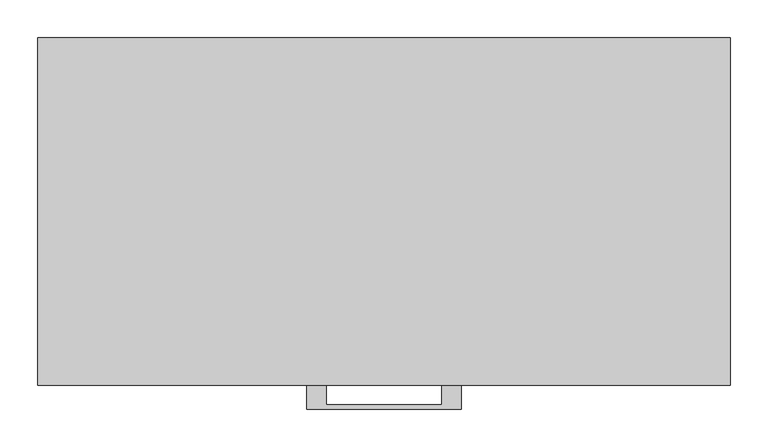
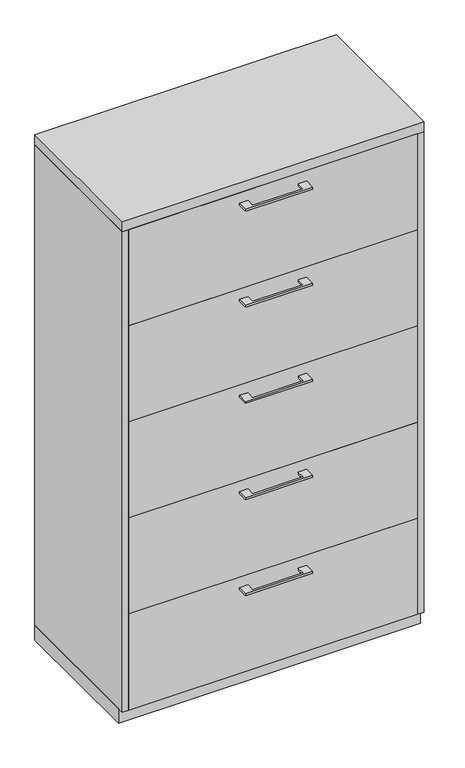
"""IFC4 building model written with IfcOpenShell, lengths in millimetres: furniture geometry."""

from ifc_helpers import new_model, si_unit, frame, origin, origin_with_axes, place, context, project, spatial, polyline, outline, extrude, source, transform, mapped, element, save


def furniture_4dc10315(model_context):
    return source(origin(), model_context, "Body", "SweptSolid", [
        extrude(outline(polyline([(-76.1999818, -457.2), (-76.1999818, -482.5999758), (76.2, -482.5999758), (76.2, -457.2), (101.5999939, -457.2), (101.5999939, -488.9499879), (-101.5999939, -488.9499879), (-101.5999939, -457.2), (-76.1999818, -457.2)])), frame((0.0, 0.0, 1541.4625506), z_axis=(0.0, 0.0, 1.0), x_axis=(1.0, 0.0, 0.0)), (0.0, 0.0, 1.0), 6.3499758),
        extrude(outline(polyline([(436.5625, -438.15), (436.5625, -457.2), (-436.5625, -457.2), (-436.5625, -438.15), (436.5625, -438.15)])), frame((0.0, 0.0, 1274.445), z_axis=(0.0, 0.0, 1.0), x_axis=(1.0, 0.0, 0.0)), (0.0, 0.0, 1.0), 306.705),
        extrude(outline(polyline([(-76.1999818, -457.2), (-76.1999818, -482.5999758), (76.2, -482.5999758), (76.2, -457.2), (101.5999939, -457.2), (101.5999939, -488.9499879), (-101.5999939, -488.9499879), (-101.5999939, -457.2), (-76.1999818, -457.2)])), frame((0.0, 0.0, 1234.7575506), z_axis=(0.0, 0.0, 1.0), x_axis=(1.0, 0.0, 0.0)), (0.0, 0.0, 1.0), 6.3499758),
        extrude(outline(polyline([(436.5625, -438.15), (436.5625, -457.2), (-436.5625, -457.2), (-436.5625, -438.15), (436.5625, -438.15)])), frame((0.0, 0.0, 967.74), z_axis=(0.0, 0.0, 1.0), x_axis=(1.0, 0.0, 0.0)), (0.0, 0.0, 1.0), 306.705),
        extrude(outline(polyline([(-76.1999818, -457.2), (-76.1999818, -482.5999758), (76.2, -482.5999758), (76.2, -457.2), (101.5999939, -457.2), (101.5999939, -488.9499879), (-101.5999939, -488.9499879), (-101.5999939, -457.2), (-76.1999818, -457.2)])), frame((0.0, 0.0, 928.0525506), z_axis=(0.0, 0.0, 1.0), x_axis=(1.0, 0.0, 0.0)), (0.0, 0.0, 1.0), 6.3499758),
        extrude(outline(polyline([(436.5625, -438.15), (436.5625, -457.2), (-436.5625, -457.2), (-436.5625, -438.15), (436.5625, -438.15)])), frame((0.0, 0.0, 661.035), z_axis=(0.0, 0.0, 1.0), x_axis=(1.0, 0.0, 0.0)), (0.0, 0.0, 1.0), 306.705),
        extrude(outline(polyline([(-76.1999818, -457.2), (-76.1999818, -482.5999758), (76.2, -482.5999758), (76.2, -457.2), (101.5999939, -457.2), (101.5999939, -488.9499879), (-101.5999939, -488.9499879), (-101.5999939, -457.2), (-76.1999818, -457.2)])), frame((0.0, 0.0, 621.3475506), z_axis=(0.0, 0.0, 1.0), x_axis=(1.0, 0.0, 0.0)), (0.0, 0.0, 1.0), 6.3499758),
        extrude(outline(polyline([(436.5625, -438.15), (436.5625, -457.2), (-436.5625, -457.2), (-436.5625, -438.15), (436.5625, -438.15)])), frame((0.0, 0.0, 354.33), z_axis=(0.0, 0.0, 1.0), x_axis=(1.0, 0.0, 0.0)), (0.0, 0.0, 1.0), 306.705),
        extrude(outline(polyline([(-76.1999818, -457.2), (-76.1999818, -482.5999758), (76.2, -482.5999758), (76.2, -457.2), (101.5999939, -457.2), (101.5999939, -488.9499879), (-101.5999939, -488.9499879), (-101.5999939, -457.2), (-76.1999818, -457.2)])), frame((0.0, 0.0, 314.6425506), z_axis=(0.0, 0.0, 1.0), x_axis=(1.0, 0.0, 0.0)), (0.0, 0.0, 1.0), 6.3499758),
        extrude(outline(polyline([(436.5625, -438.15), (436.5625, -457.2), (-436.5625, -457.2), (-436.5625, -438.15), (436.5625, -438.15)])), frame((0.0, 0.0, 47.625), z_axis=(0.0, 0.0, 1.0), x_axis=(1.0, 0.0, 0.0)), (0.0, 0.0, 1.0), 306.705),
        extrude(outline(polyline([(455.6125, 0.0), (455.6125, -438.15), (-455.6125, -438.15), (-455.6125, 0.0), (455.6125, 0.0)])), origin_with_axes(), (0.0, 0.0, 1.0), 47.625),
        extrude(outline(polyline([(455.6125, 0.0), (455.6125, -457.2), (-455.6125, -457.2), (-455.6125, 0.0), (455.6125, 0.0)])), frame((0.0, 0.0, 1581.15), z_axis=(0.0, 0.0, 1.0), x_axis=(1.0, 0.0, 0.0)), (0.0, 0.0, 1.0), 31.75),
        extrude(outline(polyline([(455.6125, 0.0), (455.6125, -457.2), (436.5625, -457.2), (436.5625, -19.05), (-436.5625, -19.05), (-436.5625, -457.2), (-455.6125, -457.2), (-455.6125, 0.0), (455.6125, 0.0)])), frame((0.0, 0.0, 47.625), z_axis=(0.0, 0.0, 1.0), x_axis=(1.0, 0.0, 0.0)), (0.0, 0.0, 1.0), 1533.525),
    ])


if __name__ == "__main__":
    model = new_model("IFC4")
    model_context = context("Model", 3, world=origin())
    ifc_project = project(units=[si_unit("LENGTHUNIT", "METRE", prefix="MILLI")], contexts=[model_context])
    site = spatial("IfcSite", under=ifc_project)
    building = spatial("IfcBuilding", under=site)
    placement = place(None, origin())
    furniture_shape = furniture_4dc10315(model_context)
    element("IfcFurniture", 1, at=placement, inside=building, context=model_context, shape_type="MappedRepresentation", body=[
        mapped(furniture_shape, transform((0.0, 0.0, 0.0), x_axis=(1.0, 0.0, 0.0), y_axis=(0.0, 1.0, 0.0), z_axis=(0.0, 0.0, 1.0))),
    ])
    save(model, "model.ifc")
